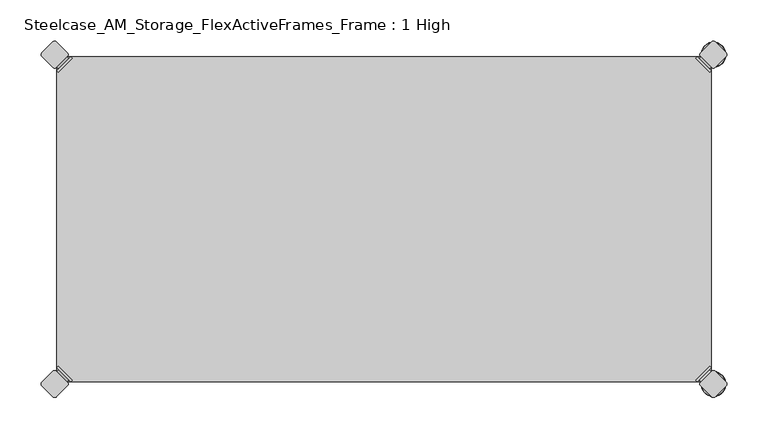
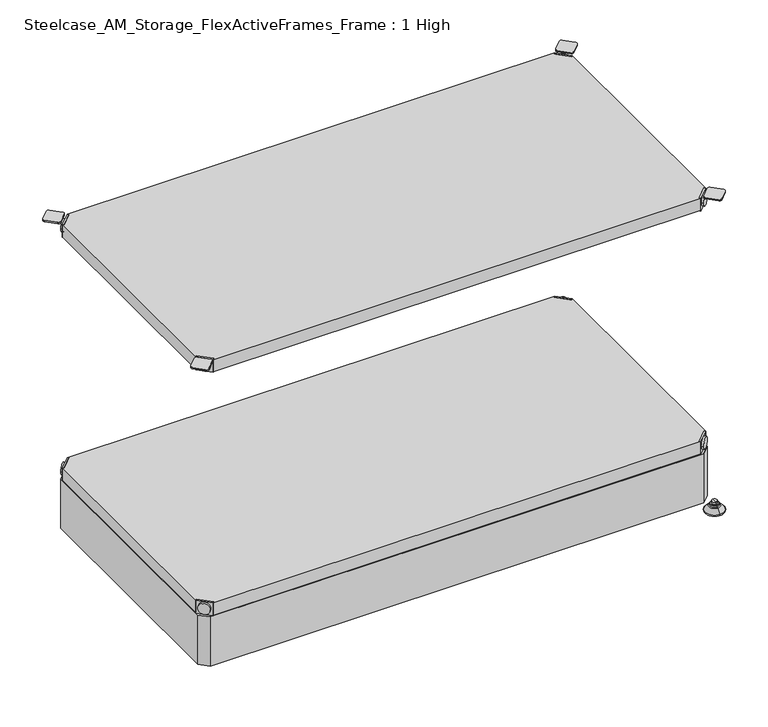
"""IFC4 building model written with IfcOpenShell, lengths in millimetres: furniture geometry, Steelcase_AM_Storage_FlexActiveFrames_Frame : 1 High."""

from ifc_helpers import new_model, si_unit, point, frame, frame_2d, origin, place, context, project, spatial, polyline, circle_curve, ellipse_curve, trimmed, segment, composite_curve, outline, extrude, source, transform, mapped, element, save
from ifc_brep_helpers import plane_surface, cylinder_surface, revolved_surface, advanced_brep


def steelcase_am_storage_flexactiveframes_frame_1_high_8f61f4ff(model_context):
    return source(origin(), model_context, "Body", "SolidModel", [
        advanced_brep(
        [(2.54, -380.2870969, 520.2936), (19.7629031, -397.51, 520.2936), (21.5589544, -395.7139488, 520.2936), (4.3360512, -378.4910456, 520.2936), (2.54, -380.2870969, 498.9576), (19.7629031, -397.51, 498.9576), (4.8652723, -382.6123691, 510.1336), (17.4376309, -395.1847277, 510.1336), (30.2920522, -352.5350447, 499.9736), (4.3360512, -378.4910456, 499.9736), (21.5589544, -395.7139488, 499.9736), (47.5149553, -369.7579478, 499.9736), (30.2920522, -352.5350447, 498.9576), (47.5149553, -369.7579478, 498.9576), (15.1227513, -397.4996073, 510.1336), (2.5503927, -384.9272487, 510.1336)],
        [
            (0, 1),
            (1, 2),
            (2, 3),
            (3, 0),
            (0, 4),
            (4, 5),
            (5, 1),
            (6, 7, circle_curve(frame((11.1514516, -388.8985484, 510.1336), z_axis=(0.7071067811865446, 0.7071067811865505, 0.0), x_axis=(-0.7071067811865505, 0.7071067811865446, 0.0)), 8.89)),
            (7, 6, circle_curve(frame((11.1514516, -388.8985484, 510.1336), z_axis=(0.7071067811865446, 0.7071067811865505, 0.0), x_axis=(-0.7071067811865505, 0.7071067811865446, 0.0)), 8.89)),
            (8, 9),
            (9, 10),
            (10, 11),
            (11, 8, circle_curve(frame((38.9035037, -361.1464963, 499.9736), z_axis=(0.0, 0.0, 1.0), x_axis=(1.0, 0.0, 0.0)), 12.1784316)),
            (12, 13, circle_curve(frame((38.9035037, -361.1464963, 498.9576), z_axis=(0.0, 0.0, -1.0), x_axis=(1.0, 0.0, 0.0)), 12.1784316)),
            (13, 5),
            (4, 12),
            (14, 15, circle_curve(frame((8.836572, -391.213428, 510.1336), z_axis=(-0.7071067811865446, -0.7071067811865505, 0.0), x_axis=(-0.7071067811865505, 0.7071067811865446, 0.0)), 8.89)),
            (15, 14, circle_curve(frame((8.836572, -391.213428, 510.1336), z_axis=(-0.7071067811865446, -0.7071067811865505, 0.0), x_axis=(-0.7071067811865505, 0.7071067811865446, 0.0)), 8.89)),
            (15, 6),
            (7, 14),
            (2, 10),
            (9, 3),
            (11, 13),
            (12, 8),
        ],
        [
            plane_surface(frame((-19.6579872, -402.485084, 520.2936), z_axis=(0.0, 0.0, 1.0000000000000002), x_axis=(0.7071067811865436, 0.7071067811865516, 0.0))),
            plane_surface(frame((19.7629031, -397.51, 520.2936), z_axis=(-0.7071067811865447, -0.7071067811865503, 0.0), x_axis=(0.0, 0.0, -1.0))),
            plane_surface(frame((51.0819353, -361.1464963, 499.9736), z_axis=(0.0, 0.0, 1.0), x_axis=(0.0, -1.0, 0.0))),
            plane_surface(frame((51.0819353, -361.1464963, 498.9576), z_axis=(0.0, 0.0, -1.0), x_axis=(0.0, 1.0, 0.0))),
            plane_surface(frame((2.5503927, -384.9272487, 510.1336), z_axis=(-0.7071067811865446, -0.7071067811865505, 0.0), x_axis=(0.0, 0.0, 1.0))),
            cylinder_surface(frame((11.1514516, -388.8985484, 510.1336), z_axis=(-0.7071067811865446, -0.7071067811865505, 0.0), x_axis=(-0.7071067811865505, 0.7071067811865446, 0.0)), 8.89),
            plane_surface(frame((4.3360512, -378.4910456, 520.2936), z_axis=(0.7071067811865447, 0.7071067811865503, 0.0), x_axis=(0.0, 0.0, -1.0))),
            cylinder_surface(frame((38.9035037, -361.1464963, 498.9576), z_axis=(0.0, 0.0, 1.0), x_axis=(1.0, 0.0, 0.0)), 12.1784316),
            plane_surface(frame((2.54, -380.2870969, 520.2936), z_axis=(-0.7071067811865516, 0.7071067811865436, 0.0), x_axis=(0.0, 0.0, -1.0))),
            plane_surface(frame((21.5589544, -395.7139488, 520.2936), z_axis=(0.7071067811865513, -0.7071067811865437, 0.0), x_axis=(0.0, 0.0, -1.0))),
        ],
        [
            (0, [[1, 2, 3, 4]]),
            (1, [[5, 6, 7, -1], [8, 9]]),
            (2, [[10, 11, 12, 13]]),
            (3, [[14, 15, -6, 16]]),
            (4, [[17, 18]]),
            (5, [[19, -9, 20, -18]]),
            (5, [[-20, -8, -19, -17]]),
            (6, [[21, -11, 22, -3]]),
            (7, [[23, -14, 24, -13]]),
            (8, [[-22, -10, -24, -16, -5, -4]]),
            (9, [[-7, -15, -23, -12, -21, -2]]),
        ],
    ),
        advanced_brep(
        [(797.56, -380.2870969, 520.2936), (795.7639488, -378.4910456, 520.2936), (778.5410456, -395.7139488, 520.2936), (780.3370969, -397.51, 520.2936), (780.3370969, -397.51, 498.9576), (797.56, -380.2870969, 498.9576), (795.2347277, -382.6123691, 510.1336), (782.6623691, -395.1847277, 510.1336), (769.8079478, -352.5350447, 499.9736), (752.5850447, -369.7579478, 499.9736), (778.5410456, -395.7139488, 499.9736), (795.7639488, -378.4910456, 499.9736), (769.8079478, -352.5350447, 498.9576), (752.5850447, -369.7579478, 498.9576), (784.9772487, -397.4996073, 510.1336), (797.5496073, -384.9272487, 510.1336)],
        [
            (0, 1),
            (1, 2),
            (2, 3),
            (3, 0),
            (3, 4),
            (4, 5),
            (5, 0),
            (6, 7, circle_curve(frame((788.9485484, -388.8985484, 510.1336), z_axis=(-0.7071067811865446, 0.7071067811865505, 0.0), x_axis=(0.7071067811865505, 0.7071067811865446, 0.0)), 8.89)),
            (7, 6, circle_curve(frame((788.9485484, -388.8985484, 510.1336), z_axis=(-0.7071067811865446, 0.7071067811865505, 0.0), x_axis=(0.7071067811865505, 0.7071067811865446, 0.0)), 8.89)),
            (8, 9, circle_curve(frame((761.1964963, -361.1464963, 499.9736), z_axis=(0.0, 0.0, 1.0), x_axis=(-1.0, 0.0, 0.0)), 12.1784316)),
            (9, 10),
            (10, 11),
            (11, 8),
            (12, 5),
            (4, 13),
            (13, 12, circle_curve(frame((761.1964963, -361.1464963, 498.9576), z_axis=(0.0, 0.0, -1.0), x_axis=(-1.0, 0.0, 0.0)), 12.1784316)),
            (14, 15, circle_curve(frame((791.263428, -391.213428, 510.1336), z_axis=(0.7071067811865446, -0.7071067811865505, 0.0), x_axis=(0.7071067811865505, 0.7071067811865446, 0.0)), 8.89)),
            (15, 14, circle_curve(frame((791.263428, -391.213428, 510.1336), z_axis=(0.7071067811865446, -0.7071067811865505, 0.0), x_axis=(0.7071067811865505, 0.7071067811865446, 0.0)), 8.89)),
            (14, 7),
            (6, 15),
            (1, 11),
            (10, 2),
            (8, 12),
            (13, 9),
        ],
        [
            plane_surface(frame((819.7579872, -402.485084, 520.2936), z_axis=(0.0, 0.0, 1.0000000000000002), x_axis=(-0.7071067811865436, 0.7071067811865516, 0.0))),
            plane_surface(frame((780.3370969, -397.51, 520.2936), z_axis=(0.7071067811865447, -0.7071067811865503, 0.0), x_axis=(0.0, 0.0, -1.0))),
            plane_surface(frame((749.0180647, -361.1464963, 499.9736), z_axis=(0.0, 0.0, 1.0), x_axis=(0.0, -1.0, 0.0))),
            plane_surface(frame((749.0180647, -361.1464963, 498.9576), z_axis=(0.0, 0.0, -1.0), x_axis=(0.0, 1.0, 0.0))),
            plane_surface(frame((797.5496073, -384.9272487, 510.1336), z_axis=(0.7071067811865446, -0.7071067811865505, 0.0), x_axis=(0.0, 0.0, 1.0))),
            cylinder_surface(frame((788.9485484, -388.8985484, 510.1336), z_axis=(0.7071067811865446, -0.7071067811865505, 0.0), x_axis=(0.7071067811865505, 0.7071067811865446, 0.0)), 8.89),
            plane_surface(frame((795.7639488, -378.4910456, 520.2936), z_axis=(-0.7071067811865447, 0.7071067811865503, 0.0), x_axis=(0.0, 0.0, -1.0))),
            cylinder_surface(frame((761.1964963, -361.1464963, 498.9576), z_axis=(0.0, 0.0, 1.0), x_axis=(-1.0, 0.0, 0.0)), 12.1784316),
            plane_surface(frame((797.56, -380.2870969, 520.2936), z_axis=(0.7071067811865516, 0.7071067811865436, 0.0), x_axis=(0.0, 0.0, -1.0))),
            plane_surface(frame((778.5410456, -395.7139488, 520.2936), z_axis=(-0.7071067811865513, -0.7071067811865437, 0.0), x_axis=(0.0, 0.0, -1.0))),
        ],
        [
            (0, [[1, 2, 3, 4]]),
            (1, [[-4, 5, 6, 7], [8, 9]]),
            (2, [[10, 11, 12, 13]]),
            (3, [[14, -6, 15, 16]]),
            (4, [[17, 18]]),
            (5, [[-17, 19, -8, 20]]),
            (5, [[-18, -20, -9, -19]]),
            (6, [[-2, 21, -12, 22]]),
            (7, [[-10, 23, -16, 24]]),
            (8, [[-1, -7, -14, -23, -13, -21]]),
            (9, [[-3, -22, -11, -24, -15, -5]]),
        ],
    ),
        advanced_brep(
        [(797.56, -19.7629031, 520.2936), (780.3370969, -2.54, 520.2936), (778.5410456, -4.3360512, 520.2936), (795.7639488, -21.5589544, 520.2936), (797.56, -19.7629031, 498.9576), (780.3370969, -2.54, 498.9576), (795.2347277, -17.4376309, 510.1336), (782.6623691, -4.8652723, 510.1336), (769.8079478, -47.5149553, 499.9736), (795.7639488, -21.5589544, 499.9736), (778.5410456, -4.3360512, 499.9736), (752.5850447, -30.2920522, 499.9736), (769.8079478, -47.5149553, 498.9576), (752.5850447, -30.2920522, 498.9576), (784.9772487, -2.5503927, 510.1336), (797.5496073, -15.1227513, 510.1336)],
        [
            (0, 1),
            (1, 2),
            (2, 3),
            (3, 0),
            (0, 4),
            (4, 5),
            (5, 1),
            (6, 7, circle_curve(frame((788.9485484, -11.1514516, 510.1336), z_axis=(-0.7071067811865469, -0.7071067811865481, 0.0), x_axis=(0.7071067811865481, -0.7071067811865469, 0.0)), 8.89)),
            (7, 6, circle_curve(frame((788.9485484, -11.1514516, 510.1336), z_axis=(-0.7071067811865469, -0.7071067811865481, 0.0), x_axis=(0.7071067811865481, -0.7071067811865469, 0.0)), 8.89)),
            (8, 9),
            (9, 10),
            (10, 11),
            (11, 8, circle_curve(frame((761.1964963, -38.9035037, 499.9736), z_axis=(0.0, 0.0, 1.0), x_axis=(-1.0, 0.0, 0.0)), 12.1784316)),
            (12, 13, circle_curve(frame((761.1964963, -38.9035037, 498.9576), z_axis=(0.0, 0.0, -1.0), x_axis=(-1.0, 0.0, 0.0)), 12.1784316)),
            (13, 5),
            (4, 12),
            (14, 15, circle_curve(frame((791.263428, -8.836572, 510.1336), z_axis=(0.7071067811865469, 0.7071067811865481, 0.0), x_axis=(0.7071067811865481, -0.7071067811865469, 0.0)), 8.89)),
            (15, 14, circle_curve(frame((791.263428, -8.836572, 510.1336), z_axis=(0.7071067811865469, 0.7071067811865481, 0.0), x_axis=(0.7071067811865481, -0.7071067811865469, 0.0)), 8.89)),
            (15, 6),
            (7, 14),
            (2, 10),
            (9, 3),
            (11, 13),
            (12, 8),
        ],
        [
            plane_surface(frame((819.7579872, 2.435084, 520.2936), z_axis=(0.0, 0.0, 1.0000000000000002), x_axis=(-0.7071067811865459, -0.7071067811865492, 0.0))),
            plane_surface(frame((780.3370969, -2.54, 520.2936), z_axis=(0.707106781186547, 0.707106781186548, 0.0), x_axis=(0.0, 0.0, -1.0))),
            plane_surface(frame((749.0180647, -38.9035037, 499.9736), z_axis=(0.0, 0.0, 1.0), x_axis=(0.0, 1.0, 0.0))),
            plane_surface(frame((749.0180647, -38.9035037, 498.9576), z_axis=(0.0, 0.0, -1.0), x_axis=(0.0, -1.0, 0.0))),
            plane_surface(frame((797.5496073, -15.1227513, 510.1336), z_axis=(0.7071067811865469, 0.7071067811865481, 0.0), x_axis=(0.0, 0.0, 1.0))),
            cylinder_surface(frame((788.9485484, -11.1514516, 510.1336), z_axis=(0.7071067811865469, 0.7071067811865481, 0.0), x_axis=(0.7071067811865481, -0.7071067811865469, 0.0)), 8.89),
            plane_surface(frame((795.7639488, -21.5589544, 520.2936), z_axis=(-0.707106781186547, -0.707106781186548, 0.0), x_axis=(0.0, 0.0, -1.0))),
            cylinder_surface(frame((761.1964963, -38.9035037, 498.9576), z_axis=(0.0, 0.0, 1.0), x_axis=(-1.0, 0.0, 0.0)), 12.1784316),
            plane_surface(frame((797.56, -19.7629031, 520.2936), z_axis=(0.7071067811865492, -0.7071067811865459, 0.0), x_axis=(0.0, 0.0, -1.0))),
            plane_surface(frame((778.5410456, -4.3360512, 520.2936), z_axis=(-0.707106781186549, 0.707106781186546, 0.0), x_axis=(0.0, 0.0, -1.0))),
        ],
        [
            (0, [[1, 2, 3, 4]]),
            (1, [[5, 6, 7, -1], [8, 9]]),
            (2, [[10, 11, 12, 13]]),
            (3, [[14, 15, -6, 16]]),
            (4, [[17, 18]]),
            (5, [[19, -9, 20, -18]]),
            (5, [[-20, -8, -19, -17]]),
            (6, [[21, -11, 22, -3]]),
            (7, [[23, -14, 24, -13]]),
            (8, [[-22, -10, -24, -16, -5, -4]]),
            (9, [[-7, -15, -23, -12, -21, -2]]),
        ],
    ),
        advanced_brep(
        [(2.54, -19.7629031, 520.2936), (4.3360512, -21.5589544, 520.2936), (21.5589544, -4.3360512, 520.2936), (19.7629031, -2.54, 520.2936), (19.7629031, -2.54, 498.9576), (2.54, -19.7629031, 498.9576), (4.8652723, -17.4376309, 510.1336), (17.4376309, -4.8652723, 510.1336), (30.2920522, -47.5149553, 499.9736), (47.5149553, -30.2920522, 499.9736), (21.5589544, -4.3360512, 499.9736), (4.3360512, -21.5589544, 499.9736), (30.2920522, -47.5149553, 498.9576), (47.5149553, -30.2920522, 498.9576), (15.1227513, -2.5503927, 510.1336), (2.5503927, -15.1227513, 510.1336)],
        [
            (0, 1),
            (1, 2),
            (2, 3),
            (3, 0),
            (3, 4),
            (4, 5),
            (5, 0),
            (6, 7, circle_curve(frame((11.1514516, -11.1514516, 510.1336), z_axis=(0.7071067811865469, -0.7071067811865481, 0.0), x_axis=(-0.7071067811865481, -0.7071067811865469, 0.0)), 8.89)),
            (7, 6, circle_curve(frame((11.1514516, -11.1514516, 510.1336), z_axis=(0.7071067811865469, -0.7071067811865481, 0.0), x_axis=(-0.7071067811865481, -0.7071067811865469, 0.0)), 8.89)),
            (8, 9, circle_curve(frame((38.9035037, -38.9035037, 499.9736), z_axis=(0.0, 0.0, 1.0), x_axis=(1.0, 0.0, 0.0)), 12.1784316)),
            (9, 10),
            (10, 11),
            (11, 8),
            (12, 5),
            (4, 13),
            (13, 12, circle_curve(frame((38.9035037, -38.9035037, 498.9576), z_axis=(0.0, 0.0, -1.0), x_axis=(1.0, 0.0, 0.0)), 12.1784316)),
            (14, 15, circle_curve(frame((8.836572, -8.836572, 510.1336), z_axis=(-0.7071067811865469, 0.7071067811865481, 0.0), x_axis=(-0.7071067811865481, -0.7071067811865469, 0.0)), 8.89)),
            (15, 14, circle_curve(frame((8.836572, -8.836572, 510.1336), z_axis=(-0.7071067811865469, 0.7071067811865481, 0.0), x_axis=(-0.7071067811865481, -0.7071067811865469, 0.0)), 8.89)),
            (14, 7),
            (6, 15),
            (1, 11),
            (10, 2),
            (8, 12),
            (13, 9),
        ],
        [
            plane_surface(frame((-19.6579872, 2.435084, 520.2936), z_axis=(0.0, 0.0, 1.0000000000000002), x_axis=(0.7071067811865459, -0.7071067811865492, 0.0))),
            plane_surface(frame((19.7629031, -2.54, 520.2936), z_axis=(-0.707106781186547, 0.707106781186548, 0.0), x_axis=(0.0, 0.0, -1.0))),
            plane_surface(frame((51.0819353, -38.9035037, 499.9736), z_axis=(0.0, 0.0, 1.0), x_axis=(0.0, 1.0, 0.0))),
            plane_surface(frame((51.0819353, -38.9035037, 498.9576), z_axis=(0.0, 0.0, -1.0), x_axis=(0.0, -1.0, 0.0))),
            plane_surface(frame((2.5503927, -15.1227513, 510.1336), z_axis=(-0.7071067811865469, 0.7071067811865481, 0.0), x_axis=(0.0, 0.0, 1.0))),
            cylinder_surface(frame((11.1514516, -11.1514516, 510.1336), z_axis=(-0.7071067811865469, 0.7071067811865481, 0.0), x_axis=(-0.7071067811865481, -0.7071067811865469, 0.0)), 8.89),
            plane_surface(frame((4.3360512, -21.5589544, 520.2936), z_axis=(0.707106781186547, -0.707106781186548, 0.0), x_axis=(0.0, 0.0, -1.0))),
            cylinder_surface(frame((38.9035037, -38.9035037, 498.9576), z_axis=(0.0, 0.0, 1.0), x_axis=(1.0, 0.0, 0.0)), 12.1784316),
            plane_surface(frame((2.54, -19.7629031, 520.2936), z_axis=(-0.7071067811865492, -0.7071067811865459, 0.0), x_axis=(0.0, 0.0, -1.0))),
            plane_surface(frame((21.5589544, -4.3360512, 520.2936), z_axis=(0.707106781186549, 0.707106781186546, 0.0), x_axis=(0.0, 0.0, -1.0))),
        ],
        [
            (0, [[1, 2, 3, 4]]),
            (1, [[-4, 5, 6, 7], [8, 9]]),
            (2, [[10, 11, 12, 13]]),
            (3, [[14, -6, 15, 16]]),
            (4, [[17, 18]]),
            (5, [[-17, 19, -8, 20]]),
            (5, [[-18, -20, -9, -19]]),
            (6, [[-2, 21, -12, 22]]),
            (7, [[-10, 23, -16, 24]]),
            (8, [[-1, -7, -14, -23, -13, -21]]),
            (9, [[-3, -22, -11, -24, -15, -5]]),
        ],
    ),
        extrude(outline(polyline([(19.7629031, -2.54), (780.3370969, -2.54), (778.5410456, -4.3360512), (795.7639488, -21.5589544), (797.56, -19.7629031), (797.56, -380.2870969), (795.7639488, -378.4910456), (778.5410456, -395.7139488), (780.3370969, -397.51), (19.7629031, -397.51), (21.5589544, -395.7139488), (4.3360512, -378.4910456), (2.54, -380.2870969), (2.54, -19.7629031), (4.3360512, -21.5589544), (21.5589544, -4.3360512), (19.7629031, -2.54)])), frame((0.0, 0.0, 499.9736), z_axis=(0.0, 0.0, 1.0), x_axis=(1.0, 0.0, 0.0)), (0.0, 0.0, 1.0), 20.32),
        advanced_brep(
        [(2.54, -380.2870969, 118.9736), (19.7629031, -397.51, 118.9736), (21.5589544, -395.7139488, 118.9736), (4.3360512, -378.4910456, 118.9736), (2.54, -380.2870969, 97.6376), (19.7629031, -397.51, 97.6376), (4.8652723, -382.6123691, 108.8136), (17.4376309, -395.1847277, 108.8136), (30.2920522, -352.5350447, 98.6536), (4.3360512, -378.4910456, 98.6536), (21.5589544, -395.7139488, 98.6536), (47.5149553, -369.7579478, 98.6536), (30.2920522, -352.5350447, 97.6376), (47.5149553, -369.7579478, 97.6376), (15.1227513, -397.4996073, 108.8136), (2.5503927, -384.9272487, 108.8136)],
        [
            (0, 1),
            (1, 2),
            (2, 3),
            (3, 0),
            (0, 4),
            (4, 5),
            (5, 1),
            (6, 7, circle_curve(frame((11.1514516, -388.8985484, 108.8136), z_axis=(0.7071067811865446, 0.7071067811865505, 0.0), x_axis=(-0.7071067811865505, 0.7071067811865446, 0.0)), 8.89)),
            (7, 6, circle_curve(frame((11.1514516, -388.8985484, 108.8136), z_axis=(0.7071067811865446, 0.7071067811865505, 0.0), x_axis=(-0.7071067811865505, 0.7071067811865446, 0.0)), 8.89)),
            (8, 9),
            (9, 10),
            (10, 11),
            (11, 8, circle_curve(frame((38.9035037, -361.1464963, 98.6536), z_axis=(0.0, 0.0, 1.0), x_axis=(1.0, 0.0, 0.0)), 12.1784316)),
            (12, 13, circle_curve(frame((38.9035037, -361.1464963, 97.6376), z_axis=(0.0, 0.0, -1.0), x_axis=(1.0, 0.0, 0.0)), 12.1784316)),
            (13, 5),
            (4, 12),
            (14, 15, circle_curve(frame((8.836572, -391.213428, 108.8136), z_axis=(-0.7071067811865446, -0.7071067811865505, 0.0), x_axis=(-0.7071067811865505, 0.7071067811865446, 0.0)), 8.89)),
            (15, 14, circle_curve(frame((8.836572, -391.213428, 108.8136), z_axis=(-0.7071067811865446, -0.7071067811865505, 0.0), x_axis=(-0.7071067811865505, 0.7071067811865446, 0.0)), 8.89)),
            (15, 6),
            (7, 14),
            (2, 10),
            (9, 3),
            (11, 13),
            (12, 8),
        ],
        [
            plane_surface(frame((-19.6579872, -402.485084, 118.9736), z_axis=(0.0, 0.0, 1.0000000000000002), x_axis=(0.7071067811865436, 0.7071067811865516, 0.0))),
            plane_surface(frame((19.7629031, -397.51, 118.9736), z_axis=(-0.7071067811865447, -0.7071067811865503, 0.0), x_axis=(0.0, 0.0, -1.0))),
            plane_surface(frame((51.0819353, -361.1464963, 98.6536), z_axis=(0.0, 0.0, 1.0), x_axis=(0.0, -1.0, 0.0))),
            plane_surface(frame((51.0819353, -361.1464963, 97.6376), z_axis=(0.0, 0.0, -1.0), x_axis=(0.0, 1.0, 0.0))),
            plane_surface(frame((2.5503927, -384.9272487, 108.8136), z_axis=(-0.7071067811865446, -0.7071067811865505, 0.0), x_axis=(0.0, 0.0, 1.0))),
            cylinder_surface(frame((11.1514516, -388.8985484, 108.8136), z_axis=(-0.7071067811865446, -0.7071067811865505, 0.0), x_axis=(-0.7071067811865505, 0.7071067811865446, 0.0)), 8.89),
            plane_surface(frame((4.3360512, -378.4910456, 118.9736), z_axis=(0.7071067811865447, 0.7071067811865503, 0.0), x_axis=(0.0, 0.0, -1.0))),
            cylinder_surface(frame((38.9035037, -361.1464963, 97.6376), z_axis=(0.0, 0.0, 1.0), x_axis=(1.0, 0.0, 0.0)), 12.1784316),
            plane_surface(frame((2.54, -380.2870969, 118.9736), z_axis=(-0.7071067811865516, 0.7071067811865436, 0.0), x_axis=(0.0, 0.0, -1.0))),
            plane_surface(frame((21.5589544, -395.7139488, 118.9736), z_axis=(0.7071067811865513, -0.7071067811865437, 0.0), x_axis=(0.0, 0.0, -1.0))),
        ],
        [
            (0, [[1, 2, 3, 4]]),
            (1, [[5, 6, 7, -1], [8, 9]]),
            (2, [[10, 11, 12, 13]]),
            (3, [[14, 15, -6, 16]]),
            (4, [[17, 18]]),
            (5, [[19, -9, 20, -18]]),
            (5, [[-20, -8, -19, -17]]),
            (6, [[21, -11, 22, -3]]),
            (7, [[23, -14, 24, -13]]),
            (8, [[-22, -10, -24, -16, -5, -4]]),
            (9, [[-7, -15, -23, -12, -21, -2]]),
        ],
    ),
        advanced_brep(
        [(797.56, -380.2870969, 118.9736), (795.7639488, -378.4910456, 118.9736), (778.5410456, -395.7139488, 118.9736), (780.3370969, -397.51, 118.9736), (780.3370969, -397.51, 97.6376), (797.56, -380.2870969, 97.6376), (795.2347277, -382.6123691, 108.8136), (782.6623691, -395.1847277, 108.8136), (769.8079478, -352.5350447, 98.6536), (752.5850447, -369.7579478, 98.6536), (778.5410456, -395.7139488, 98.6536), (795.7639488, -378.4910456, 98.6536), (769.8079478, -352.5350447, 97.6376), (752.5850447, -369.7579478, 97.6376), (784.9772487, -397.4996073, 108.8136), (797.5496073, -384.9272487, 108.8136)],
        [
            (0, 1),
            (1, 2),
            (2, 3),
            (3, 0),
            (3, 4),
            (4, 5),
            (5, 0),
            (6, 7, circle_curve(frame((788.9485484, -388.8985484, 108.8136), z_axis=(-0.7071067811865446, 0.7071067811865505, 0.0), x_axis=(0.7071067811865505, 0.7071067811865446, 0.0)), 8.89)),
            (7, 6, circle_curve(frame((788.9485484, -388.8985484, 108.8136), z_axis=(-0.7071067811865446, 0.7071067811865505, 0.0), x_axis=(0.7071067811865505, 0.7071067811865446, 0.0)), 8.89)),
            (8, 9, circle_curve(frame((761.1964963, -361.1464963, 98.6536), z_axis=(0.0, 0.0, 1.0), x_axis=(-1.0, 0.0, 0.0)), 12.1784316)),
            (9, 10),
            (10, 11),
            (11, 8),
            (12, 5),
            (4, 13),
            (13, 12, circle_curve(frame((761.1964963, -361.1464963, 97.6376), z_axis=(0.0, 0.0, -1.0), x_axis=(-1.0, 0.0, 0.0)), 12.1784316)),
            (14, 15, circle_curve(frame((791.263428, -391.213428, 108.8136), z_axis=(0.7071067811865446, -0.7071067811865505, 0.0), x_axis=(0.7071067811865505, 0.7071067811865446, 0.0)), 8.89)),
            (15, 14, circle_curve(frame((791.263428, -391.213428, 108.8136), z_axis=(0.7071067811865446, -0.7071067811865505, 0.0), x_axis=(0.7071067811865505, 0.7071067811865446, 0.0)), 8.89)),
            (14, 7),
            (6, 15),
            (1, 11),
            (10, 2),
            (8, 12),
            (13, 9),
        ],
        [
            plane_surface(frame((819.7579872, -402.485084, 118.9736), z_axis=(0.0, 0.0, 1.0000000000000002), x_axis=(-0.7071067811865436, 0.7071067811865516, 0.0))),
            plane_surface(frame((780.3370969, -397.51, 118.9736), z_axis=(0.7071067811865447, -0.7071067811865503, 0.0), x_axis=(0.0, 0.0, -1.0))),
            plane_surface(frame((749.0180647, -361.1464963, 98.6536), z_axis=(0.0, 0.0, 1.0), x_axis=(0.0, -1.0, 0.0))),
            plane_surface(frame((749.0180647, -361.1464963, 97.6376), z_axis=(0.0, 0.0, -1.0), x_axis=(0.0, 1.0, 0.0))),
            plane_surface(frame((797.5496073, -384.9272487, 108.8136), z_axis=(0.7071067811865446, -0.7071067811865505, 0.0), x_axis=(0.0, 0.0, 1.0))),
            cylinder_surface(frame((788.9485484, -388.8985484, 108.8136), z_axis=(0.7071067811865446, -0.7071067811865505, 0.0), x_axis=(0.7071067811865505, 0.7071067811865446, 0.0)), 8.89),
            plane_surface(frame((795.7639488, -378.4910456, 118.9736), z_axis=(-0.7071067811865447, 0.7071067811865503, 0.0), x_axis=(0.0, 0.0, -1.0))),
            cylinder_surface(frame((761.1964963, -361.1464963, 97.6376), z_axis=(0.0, 0.0, 1.0), x_axis=(-1.0, 0.0, 0.0)), 12.1784316),
            plane_surface(frame((797.56, -380.2870969, 118.9736), z_axis=(0.7071067811865516, 0.7071067811865436, 0.0), x_axis=(0.0, 0.0, -1.0))),
            plane_surface(frame((778.5410456, -395.7139488, 118.9736), z_axis=(-0.7071067811865513, -0.7071067811865437, 0.0), x_axis=(0.0, 0.0, -1.0))),
        ],
        [
            (0, [[1, 2, 3, 4]]),
            (1, [[-4, 5, 6, 7], [8, 9]]),
            (2, [[10, 11, 12, 13]]),
            (3, [[14, -6, 15, 16]]),
            (4, [[17, 18]]),
            (5, [[-17, 19, -8, 20]]),
            (5, [[-18, -20, -9, -19]]),
            (6, [[-2, 21, -12, 22]]),
            (7, [[-10, 23, -16, 24]]),
            (8, [[-1, -7, -14, -23, -13, -21]]),
            (9, [[-3, -22, -11, -24, -15, -5]]),
        ],
    ),
        advanced_brep(
        [(797.56, -19.7629031, 118.9736), (780.3370969, -2.54, 118.9736), (778.5410456, -4.3360512, 118.9736), (795.7639488, -21.5589544, 118.9736), (797.56, -19.7629031, 97.6376), (780.3370969, -2.54, 97.6376), (795.2347277, -17.4376309, 108.8136), (782.6623691, -4.8652723, 108.8136), (769.8079478, -47.5149553, 98.6536), (795.7639488, -21.5589544, 98.6536), (778.5410456, -4.3360512, 98.6536), (752.5850447, -30.2920522, 98.6536), (769.8079478, -47.5149553, 97.6376), (752.5850447, -30.2920522, 97.6376), (784.9772487, -2.5503927, 108.8136), (797.5496073, -15.1227513, 108.8136)],
        [
            (0, 1),
            (1, 2),
            (2, 3),
            (3, 0),
            (0, 4),
            (4, 5),
            (5, 1),
            (6, 7, circle_curve(frame((788.9485484, -11.1514516, 108.8136), z_axis=(-0.7071067811865469, -0.7071067811865481, 0.0), x_axis=(0.7071067811865481, -0.7071067811865469, 0.0)), 8.89)),
            (7, 6, circle_curve(frame((788.9485484, -11.1514516, 108.8136), z_axis=(-0.7071067811865469, -0.7071067811865481, 0.0), x_axis=(0.7071067811865481, -0.7071067811865469, 0.0)), 8.89)),
            (8, 9),
            (9, 10),
            (10, 11),
            (11, 8, circle_curve(frame((761.1964963, -38.9035037, 98.6536), z_axis=(0.0, 0.0, 1.0), x_axis=(-1.0, 0.0, 0.0)), 12.1784316)),
            (12, 13, circle_curve(frame((761.1964963, -38.9035037, 97.6376), z_axis=(0.0, 0.0, -1.0), x_axis=(-1.0, 0.0, 0.0)), 12.1784316)),
            (13, 5),
            (4, 12),
            (14, 15, circle_curve(frame((791.263428, -8.836572, 108.8136), z_axis=(0.7071067811865469, 0.7071067811865481, 0.0), x_axis=(0.7071067811865481, -0.7071067811865469, 0.0)), 8.89)),
            (15, 14, circle_curve(frame((791.263428, -8.836572, 108.8136), z_axis=(0.7071067811865469, 0.7071067811865481, 0.0), x_axis=(0.7071067811865481, -0.7071067811865469, 0.0)), 8.89)),
            (15, 6),
            (7, 14),
            (2, 10),
            (9, 3),
            (11, 13),
            (12, 8),
        ],
        [
            plane_surface(frame((819.7579872, 2.435084, 118.9736), z_axis=(0.0, 0.0, 1.0000000000000002), x_axis=(-0.7071067811865459, -0.7071067811865492, 0.0))),
            plane_surface(frame((780.3370969, -2.54, 118.9736), z_axis=(0.707106781186547, 0.707106781186548, 0.0), x_axis=(0.0, 0.0, -1.0))),
            plane_surface(frame((749.0180647, -38.9035037, 98.6536), z_axis=(0.0, 0.0, 1.0), x_axis=(0.0, 1.0, 0.0))),
            plane_surface(frame((749.0180647, -38.9035037, 97.6376), z_axis=(0.0, 0.0, -1.0), x_axis=(0.0, -1.0, 0.0))),
            plane_surface(frame((797.5496073, -15.1227513, 108.8136), z_axis=(0.7071067811865469, 0.7071067811865481, 0.0), x_axis=(0.0, 0.0, 1.0))),
            cylinder_surface(frame((788.9485484, -11.1514516, 108.8136), z_axis=(0.7071067811865469, 0.7071067811865481, 0.0), x_axis=(0.7071067811865481, -0.7071067811865469, 0.0)), 8.89),
            plane_surface(frame((795.7639488, -21.5589544, 118.9736), z_axis=(-0.707106781186547, -0.707106781186548, 0.0), x_axis=(0.0, 0.0, -1.0))),
            cylinder_surface(frame((761.1964963, -38.9035037, 97.6376), z_axis=(0.0, 0.0, 1.0), x_axis=(-1.0, 0.0, 0.0)), 12.1784316),
            plane_surface(frame((797.56, -19.7629031, 118.9736), z_axis=(0.7071067811865492, -0.7071067811865459, 0.0), x_axis=(0.0, 0.0, -1.0))),
            plane_surface(frame((778.5410456, -4.3360512, 118.9736), z_axis=(-0.707106781186549, 0.707106781186546, 0.0), x_axis=(0.0, 0.0, -1.0))),
        ],
        [
            (0, [[1, 2, 3, 4]]),
            (1, [[5, 6, 7, -1], [8, 9]]),
            (2, [[10, 11, 12, 13]]),
            (3, [[14, 15, -6, 16]]),
            (4, [[17, 18]]),
            (5, [[19, -9, 20, -18]]),
            (5, [[-20, -8, -19, -17]]),
            (6, [[21, -11, 22, -3]]),
            (7, [[23, -14, 24, -13]]),
            (8, [[-22, -10, -24, -16, -5, -4]]),
            (9, [[-7, -15, -23, -12, -21, -2]]),
        ],
    ),
        advanced_brep(
        [(2.54, -19.7629031, 118.9736), (4.3360512, -21.5589544, 118.9736), (21.5589544, -4.3360512, 118.9736), (19.7629031, -2.54, 118.9736), (19.7629031, -2.54, 97.6376), (2.54, -19.7629031, 97.6376), (4.8652723, -17.4376309, 108.8136), (17.4376309, -4.8652723, 108.8136), (30.2920522, -47.5149553, 98.6536), (47.5149553, -30.2920522, 98.6536), (21.5589544, -4.3360512, 98.6536), (4.3360512, -21.5589544, 98.6536), (30.2920522, -47.5149553, 97.6376), (47.5149553, -30.2920522, 97.6376), (15.1227513, -2.5503927, 108.8136), (2.5503927, -15.1227513, 108.8136)],
        [
            (0, 1),
            (1, 2),
            (2, 3),
            (3, 0),
            (3, 4),
            (4, 5),
            (5, 0),
            (6, 7, circle_curve(frame((11.1514516, -11.1514516, 108.8136), z_axis=(0.7071067811865469, -0.7071067811865481, 0.0), x_axis=(-0.7071067811865481, -0.7071067811865469, 0.0)), 8.89)),
            (7, 6, circle_curve(frame((11.1514516, -11.1514516, 108.8136), z_axis=(0.7071067811865469, -0.7071067811865481, 0.0), x_axis=(-0.7071067811865481, -0.7071067811865469, 0.0)), 8.89)),
            (8, 9, circle_curve(frame((38.9035037, -38.9035037, 98.6536), z_axis=(0.0, 0.0, 1.0), x_axis=(1.0, 0.0, 0.0)), 12.1784316)),
            (9, 10),
            (10, 11),
            (11, 8),
            (12, 5),
            (4, 13),
            (13, 12, circle_curve(frame((38.9035037, -38.9035037, 97.6376), z_axis=(0.0, 0.0, -1.0), x_axis=(1.0, 0.0, 0.0)), 12.1784316)),
            (14, 15, circle_curve(frame((8.836572, -8.836572, 108.8136), z_axis=(-0.7071067811865469, 0.7071067811865481, 0.0), x_axis=(-0.7071067811865481, -0.7071067811865469, 0.0)), 8.89)),
            (15, 14, circle_curve(frame((8.836572, -8.836572, 108.8136), z_axis=(-0.7071067811865469, 0.7071067811865481, 0.0), x_axis=(-0.7071067811865481, -0.7071067811865469, 0.0)), 8.89)),
            (14, 7),
            (6, 15),
            (1, 11),
            (10, 2),
            (8, 12),
            (13, 9),
        ],
        [
            plane_surface(frame((-19.6579872, 2.435084, 118.9736), z_axis=(0.0, 0.0, 1.0000000000000002), x_axis=(0.7071067811865459, -0.7071067811865492, 0.0))),
            plane_surface(frame((19.7629031, -2.54, 118.9736), z_axis=(-0.707106781186547, 0.707106781186548, 0.0), x_axis=(0.0, 0.0, -1.0))),
            plane_surface(frame((51.0819353, -38.9035037, 98.6536), z_axis=(0.0, 0.0, 1.0), x_axis=(0.0, 1.0, 0.0))),
            plane_surface(frame((51.0819353, -38.9035037, 97.6376), z_axis=(0.0, 0.0, -1.0), x_axis=(0.0, -1.0, 0.0))),
            plane_surface(frame((2.5503927, -15.1227513, 108.8136), z_axis=(-0.7071067811865469, 0.7071067811865481, 0.0), x_axis=(0.0, 0.0, 1.0))),
            cylinder_surface(frame((11.1514516, -11.1514516, 108.8136), z_axis=(-0.7071067811865469, 0.7071067811865481, 0.0), x_axis=(-0.7071067811865481, -0.7071067811865469, 0.0)), 8.89),
            plane_surface(frame((4.3360512, -21.5589544, 118.9736), z_axis=(0.707106781186547, -0.707106781186548, 0.0), x_axis=(0.0, 0.0, -1.0))),
            cylinder_surface(frame((38.9035037, -38.9035037, 97.6376), z_axis=(0.0, 0.0, 1.0), x_axis=(1.0, 0.0, 0.0)), 12.1784316),
            plane_surface(frame((2.54, -19.7629031, 118.9736), z_axis=(-0.7071067811865492, -0.7071067811865459, 0.0), x_axis=(0.0, 0.0, -1.0))),
            plane_surface(frame((21.5589544, -4.3360512, 118.9736), z_axis=(0.707106781186549, 0.707106781186546, 0.0), x_axis=(0.0, 0.0, -1.0))),
        ],
        [
            (0, [[1, 2, 3, 4]]),
            (1, [[-4, 5, 6, 7], [8, 9]]),
            (2, [[10, 11, 12, 13]]),
            (3, [[14, -6, 15, 16]]),
            (4, [[17, 18]]),
            (5, [[-17, 19, -8, 20]]),
            (5, [[-18, -20, -9, -19]]),
            (6, [[-2, 21, -12, 22]]),
            (7, [[-10, 23, -16, 24]]),
            (8, [[-1, -7, -14, -23, -13, -21]]),
            (9, [[-3, -22, -11, -24, -15, -5]]),
        ],
    ),
        extrude(outline(polyline([(19.7629031, -2.54), (780.3370969, -2.54), (778.5410456, -4.3360512), (795.7639488, -21.5589544), (797.56, -19.7629031), (797.56, -380.2870969), (795.7639488, -378.4910456), (778.5410456, -395.7139488), (780.3370969, -397.51), (19.7629031, -397.51), (21.5589544, -395.7139488), (4.3360512, -378.4910456), (2.54, -380.2870969), (2.54, -19.7629031), (4.3360512, -21.5589544), (21.5589544, -4.3360512), (19.7629031, -2.54)])), frame((0.0, 0.0, 98.6536), z_axis=(0.0, 0.0, 1.0), x_axis=(1.0, 0.0, 0.0)), (0.0, 0.0, 1.0), 20.32),
        extrude(outline(composite_curve([segment(polyline([(-2.245064, -15.4326055), (-15.4326055, -2.245064)]), True, "CONTINUOUS"), segment(trimmed(circle_curve(frame_2d((-13.1875415, 0.0)), 3.175), [point((-15.4326055, -2.245064))], [point((-15.4326055, 2.245064))], False, "CARTESIAN"), True, "CONTINUOUS"), segment(polyline([(-15.4326055, 2.245064), (-2.245064, 15.4326055)]), True, "CONTINUOUS"), segment(trimmed(circle_curve(frame_2d((0.0, 13.1875415)), 3.175), [point((-2.245064, 15.4326055))], [point((2.245064, 15.4326055))], False, "CARTESIAN"), True, "CONTINUOUS"), segment(polyline([(2.245064, 15.4326055), (15.4326055, 2.245064)]), True, "CONTINUOUS"), segment(trimmed(circle_curve(frame_2d((13.1875415, 0.0)), 3.175), [point((15.4326055, 2.245064))], [point((15.4326055, -2.245064))], False, "CARTESIAN"), True, "CONTINUOUS"), segment(polyline([(15.4326055, -2.245064), (2.245064, -15.4326055)]), True, "CONTINUOUS"), segment(trimmed(circle_curve(frame_2d((0.0, -13.1875415)), 3.175), [point((2.245064, -15.4326055))], [point((-2.245064, -15.4326055))], False, "CARTESIAN"), True, "CONTINUOUS")], self_intersect=False)), frame((0.0, 0.0, 520.2936), z_axis=(0.0, 0.0, 1.0), x_axis=(1.0, 0.0, 0.0)), (0.0, 0.0, 1.0), 2.032),
        extrude(outline(composite_curve([segment(trimmed(circle_curve(frame_2d((800.1, -13.1875415)), 3.175), [point((802.345064, -15.4326055))], [point((797.854936, -15.4326055))], False, "CARTESIAN"), True, "CONTINUOUS"), segment(polyline([(797.854936, -15.4326055), (784.6673945, -2.245064)]), True, "CONTINUOUS"), segment(trimmed(circle_curve(frame_2d((786.9124585, 0.0)), 3.175), [point((784.6673945, -2.245064))], [point((784.6673945, 2.245064))], False, "CARTESIAN"), True, "CONTINUOUS"), segment(polyline([(784.6673945, 2.245064), (797.854936, 15.4326055)]), True, "CONTINUOUS"), segment(trimmed(circle_curve(frame_2d((800.1, 13.1875415)), 3.175), [point((797.854936, 15.4326055))], [point((802.345064, 15.4326055))], False, "CARTESIAN"), True, "CONTINUOUS"), segment(polyline([(802.345064, 15.4326055), (815.5326055, 2.245064)]), True, "CONTINUOUS"), segment(trimmed(circle_curve(frame_2d((813.2875415, 0.0)), 3.175), [point((815.5326055, 2.245064))], [point((815.5326055, -2.245064))], False, "CARTESIAN"), True, "CONTINUOUS"), segment(polyline([(815.5326055, -2.245064), (802.345064, -15.4326055)]), True, "CONTINUOUS")], self_intersect=False)), frame((0.0, 0.0, 520.2936), z_axis=(0.0, 0.0, 1.0), x_axis=(1.0, 0.0, 0.0)), (0.0, 0.0, 1.0), 2.032),
        extrude(outline(composite_curve([segment(polyline([(802.345064, -384.6173945), (815.5326055, -397.804936)]), True, "CONTINUOUS"), segment(trimmed(circle_curve(frame_2d((813.2875415, -400.05)), 3.175), [point((815.5326055, -397.804936))], [point((815.5326055, -402.295064))], False, "CARTESIAN"), True, "CONTINUOUS"), segment(polyline([(815.5326055, -402.295064), (802.345064, -415.4826055)]), True, "CONTINUOUS"), segment(trimmed(circle_curve(frame_2d((800.1, -413.2375415)), 3.175), [point((802.345064, -415.4826055))], [point((797.854936, -415.4826055))], False, "CARTESIAN"), True, "CONTINUOUS"), segment(polyline([(797.854936, -415.4826055), (784.6673945, -402.295064)]), True, "CONTINUOUS"), segment(trimmed(circle_curve(frame_2d((786.9124585, -400.05)), 3.175), [point((784.6673945, -402.295064))], [point((784.6673945, -397.804936))], False, "CARTESIAN"), True, "CONTINUOUS"), segment(polyline([(784.6673945, -397.804936), (797.854936, -384.6173945)]), True, "CONTINUOUS"), segment(trimmed(circle_curve(frame_2d((800.1, -386.8624585)), 3.175), [point((797.854936, -384.6173945))], [point((802.345064, -384.6173945))], False, "CARTESIAN"), True, "CONTINUOUS")], self_intersect=False)), frame((0.0, 0.0, 520.2936), z_axis=(0.0, 0.0, 1.0), x_axis=(1.0, 0.0, 0.0)), (0.0, 0.0, 1.0), 2.032),
        extrude(outline(composite_curve([segment(trimmed(circle_curve(frame_2d((0.0, -386.8624585)), 3.175), [point((-2.245064, -384.6173945))], [point((2.245064, -384.6173945))], False, "CARTESIAN"), True, "CONTINUOUS"), segment(polyline([(2.245064, -384.6173945), (15.4326055, -397.804936)]), True, "CONTINUOUS"), segment(trimmed(circle_curve(frame_2d((13.1875415, -400.05)), 3.175), [point((15.4326055, -397.804936))], [point((15.4326055, -402.295064))], False, "CARTESIAN"), True, "CONTINUOUS"), segment(polyline([(15.4326055, -402.295064), (2.245064, -415.4826055)]), True, "CONTINUOUS"), segment(trimmed(circle_curve(frame_2d((0.0, -413.2375415)), 3.175), [point((2.245064, -415.4826055))], [point((-2.245064, -415.4826055))], False, "CARTESIAN"), True, "CONTINUOUS"), segment(polyline([(-2.245064, -415.4826055), (-15.4326055, -402.295064)]), True, "CONTINUOUS"), segment(trimmed(circle_curve(frame_2d((-13.1875415, -400.05)), 3.175), [point((-15.4326055, -402.295064))], [point((-15.4326055, -397.804936))], False, "CARTESIAN"), True, "CONTINUOUS"), segment(polyline([(-15.4326055, -397.804936), (-2.245064, -384.6173945)]), True, "CONTINUOUS")], self_intersect=False)), frame((0.0, 0.0, 520.2936), z_axis=(0.0, 0.0, 1.0), x_axis=(1.0, 0.0, 0.0)), (0.0, 0.0, 1.0), 2.032),
        extrude(outline(polyline([(2.54, -384.9123305), (2.54, -15.1376695), (15.1376695, -2.54), (784.9623305, -2.54), (797.56, -15.1376695), (797.56, -384.9123305), (784.9623305, -397.51), (15.1376695, -397.51), (2.54, -384.9123305)]), holes=[polyline([(12.7, -15.748), (12.7, -387.35), (787.4, -387.35), (787.4, -15.748), (12.7, -15.748)])]), frame((0.0, 0.0, 15.9766), z_axis=(0.0, 0.0, 1.0), x_axis=(1.0, 0.0, 0.0)), (0.0, 0.0, 1.0), 81.28),
        advanced_brep(
        [(800.1, 3.999659, 15.9766), (800.1, -3.999659, 15.9766), (800.1, 0.0, 15.9766), (800.1, 3.999659, 12.6000054), (800.1, -3.999659, 12.6000054), (800.1, 5.8601455, 12.6000054), (800.1, -5.8601455, 12.6000054), (800.1, 6.4951462, 11.9650074), (800.1, -6.4951462, 11.9650074), (800.1, 6.4951462, 9.0000124), (800.1, -6.4951462, 9.0000124), (800.1, 8.7421976, 9.0000124), (800.1, -8.7421976, 9.0000124), (800.1, 14.7060077, 2.3275608), (800.1, -14.7060077, 2.3275608), (800.1, 13.664601, 0.0), (800.1, -13.664601, 0.0), (800.1, 0.0, 0.0)],
        [
            (0, 1, circle_curve(frame((800.1, 0.0, 15.9766), z_axis=(0.0, 0.0, 1.0), x_axis=(0.0, -1.0, 0.0)), 3.999659)),
            (1, 2),
            (2, 0),
            (1, 0, circle_curve(frame((800.1, 0.0, 15.9766), z_axis=(0.0, 0.0, 1.0), x_axis=(0.0, -1.0, 0.0)), 3.999659)),
            (3, 4, circle_curve(frame((800.1, 0.0, 12.6000054), z_axis=(0.0, 0.0, 1.0), x_axis=(0.0, -1.0, 0.0)), 3.999659)),
            (4, 1),
            (0, 3),
            (4, 3, circle_curve(frame((800.1, 0.0, 12.6000054), z_axis=(0.0, 0.0, 1.0), x_axis=(0.0, -1.0, 0.0)), 3.999659)),
            (5, 6, circle_curve(frame((800.1, 0.0, 12.6000054), z_axis=(0.0, 0.0, 1.0), x_axis=(0.0, -1.0, 0.0)), 5.8601455)),
            (6, 4),
            (3, 5),
            (6, 5, circle_curve(frame((800.1, 0.0, 12.6000054), z_axis=(0.0, 0.0, 1.0), x_axis=(0.0, -1.0, 0.0)), 5.8601455)),
            (7, 8, circle_curve(frame((800.1, 0.0, 11.9650074), z_axis=(0.0, 0.0, 1.0), x_axis=(0.0, -1.0, 0.0)), 6.4951462)),
            (8, 6, circle_curve(frame((800.1, -5.8601462, 11.9650074), z_axis=(-1.0, 0.0, 0.0), x_axis=(0.0, -1.0, 0.0)), 0.635)),
            (5, 7, circle_curve(frame((800.1, 5.8601462, 11.9650074), z_axis=(-1.0, 0.0, 0.0), x_axis=(0.0, 1.0, 0.0)), 0.635)),
            (8, 7, circle_curve(frame((800.1, 0.0, 11.9650074), z_axis=(0.0, 0.0, 1.0), x_axis=(0.0, -1.0, 0.0)), 6.4951462)),
            (9, 10, circle_curve(frame((800.1, 0.0, 9.0000124), z_axis=(0.0, 0.0, 1.0), x_axis=(0.0, -1.0, 0.0)), 6.4951462)),
            (10, 8),
            (7, 9),
            (10, 9, circle_curve(frame((800.1, 0.0, 9.0000124), z_axis=(0.0, 0.0, 1.0), x_axis=(0.0, -1.0, 0.0)), 6.4951462)),
            (11, 12, circle_curve(frame((800.1, 0.0, 9.0000124), z_axis=(0.0, 0.0, 1.0), x_axis=(0.0, -1.0, 0.0)), 8.7421976)),
            (12, 10),
            (9, 11),
            (12, 11, circle_curve(frame((800.1, 0.0, 9.0000124), z_axis=(0.0, 0.0, 1.0), x_axis=(0.0, -1.0, 0.0)), 8.7421976)),
            (13, 14, circle_curve(frame((800.1, 0.0, 2.3275608), z_axis=(0.0, 0.0, 1.0), x_axis=(0.0, -1.0, 0.0)), 14.7060077)),
            (14, 12),
            (11, 13),
            (14, 13, circle_curve(frame((800.1, 0.0, 2.3275608), z_axis=(0.0, 0.0, 1.0), x_axis=(0.0, -1.0, 0.0)), 14.7060077)),
            (15, 16, circle_curve(frame((800.1, 0.0, 0.0), z_axis=(0.0, 0.0, 1.0), x_axis=(0.0, -1.0, 0.0)), 13.664601)),
            (16, 14, circle_curve(frame((800.1, -13.664601, 1.3967556), z_axis=(-1.0, 0.0, 0.0), x_axis=(0.0, -1.0, 0.0)), 1.3967556)),
            (13, 15, circle_curve(frame((800.1, 13.664601, 1.3967556), z_axis=(-1.0, 0.0, 0.0), x_axis=(0.0, 1.0, 0.0)), 1.3967556)),
            (16, 15, circle_curve(frame((800.1, 0.0, 0.0), z_axis=(0.0, 0.0, 1.0), x_axis=(0.0, -1.0, 0.0)), 13.664601)),
            (17, 16),
            (15, 17),
        ],
        [
            plane_surface(frame((800.1, 0.0, 15.9766), z_axis=(0.0, 0.0, 1.0), x_axis=(0.0, -1.0, 0.0))),
            cylinder_surface(frame((800.1, 0.0, -4.132372), z_axis=(0.0, 0.0, -1.0), x_axis=(0.0, -1.0, 0.0)), 3.999659),
            plane_surface(frame((800.1, 0.0, 12.6000054), z_axis=(0.0, 0.0, 1.0), x_axis=(0.0, -1.0, 0.0))),
            revolved_surface(trimmed(ellipse_curve(frame((800.1, -5.8601462, 11.9650074), z_axis=(1.0, 0.0, 0.0), x_axis=(0.0, -1.0, 0.0)), 0.635, 0.635), [point((800.1, -5.8601455, 12.6000074))], [point((800.1, -6.4951462, 11.9650074))], True, "CARTESIAN"), (800.1, 0.0, -4.132372), (0.0, 0.0, -1.0)),
            cylinder_surface(frame((800.1, 0.0, -4.132372), z_axis=(0.0, 0.0, -1.0), x_axis=(0.0, -1.0, 0.0)), 6.4951462),
            plane_surface(frame((800.1, 0.0, 9.0000124), z_axis=(0.0, 0.0, 1.0), x_axis=(0.0, -1.0, 0.0))),
            revolved_surface(polyline([(800.1, -8.7421976, 9.0000124), (800.1, -14.7060077, 2.3275608)]), (800.1, 0.0, -4.132372), (0.0, 0.0, -1.0)),
            revolved_surface(trimmed(ellipse_curve(frame((800.1, -13.664601, 1.3967556), z_axis=(1.0, 0.0, 0.0), x_axis=(0.0, -1.0, 0.0)), 1.3967556, 1.3967556), [point((800.1, -14.7060077, 2.3275608))], [point((800.1, -13.664601, 0.0))], True, "CARTESIAN"), (800.1, 0.0, -4.132372), (0.0, 0.0, -1.0)),
            plane_surface(frame((800.1, 0.0, 0.0), z_axis=(0.0, 0.0, -1.0), x_axis=(0.0, -1.0, 0.0))),
        ],
        [
            (0, [[1, 2, 3]]),
            (0, [[4, -3, -2]]),
            (1, [[5, 6, -1, 7]]),
            (1, [[8, -7, -4, -6]]),
            (2, [[9, 10, -5, 11]]),
            (2, [[12, -11, -8, -10]]),
            (3, [[13, 14, -9, 15]]),
            (3, [[16, -15, -12, -14]]),
            (4, [[17, 18, -13, 19]]),
            (4, [[20, -19, -16, -18]]),
            (5, [[21, 22, -17, 23]]),
            (5, [[24, -23, -20, -22]]),
            (6, [[25, 26, -21, 27]]),
            (6, [[28, -27, -24, -26]]),
            (7, [[29, 30, -25, 31]]),
            (7, [[32, -31, -28, -30]]),
            (8, [[33, -29, 34]]),
            (8, [[-34, -32, -33]]),
        ],
    ),
        advanced_brep(
        [(800.1, -400.05, 15.9766), (800.1, -396.050341, 15.9766), (800.1, -404.049659, 15.9766), (800.1, -396.050341, 12.6000054), (800.1, -404.049659, 12.6000054), (800.1, -394.1898545, 12.6000074), (800.1, -405.9101455, 12.6000074), (800.1, -393.5548538, 11.9650074), (800.1, -406.5451462, 11.9650074), (800.1, -393.5548538, 9.0000124), (800.1, -406.5451462, 9.0000124), (800.1, -391.3078024, 9.0000124), (800.1, -408.7921976, 9.0000124), (800.1, -385.3439923, 2.3275608), (800.1, -414.7560077, 2.3275608), (800.1, -386.385399, 0.0), (800.1, -413.714601, 0.0), (800.1, -400.05, 0.0)],
        [
            (0, 1),
            (1, 2, circle_curve(frame((800.1, -400.05, 15.9766), z_axis=(0.0, 0.0, 1.0), x_axis=(0.0, 1.0, 0.0)), 3.999659)),
            (2, 0),
            (2, 1, circle_curve(frame((800.1, -400.05, 15.9766), z_axis=(0.0, 0.0, 1.0), x_axis=(0.0, 1.0, 0.0)), 3.999659)),
            (1, 3),
            (3, 4, circle_curve(frame((800.1, -400.05, 12.6000054), z_axis=(0.0, 0.0, 1.0), x_axis=(0.0, 1.0, 0.0)), 3.999659)),
            (4, 2),
            (4, 3, circle_curve(frame((800.1, -400.05, 12.6000054), z_axis=(0.0, 0.0, 1.0), x_axis=(0.0, 1.0, 0.0)), 3.999659)),
            (3, 5),
            (5, 6, circle_curve(frame((800.1, -400.05, 12.6000074), z_axis=(0.0, 0.0, 1.0), x_axis=(0.0, 1.0, 0.0)), 5.8601455)),
            (6, 4),
            (6, 5, circle_curve(frame((800.1, -400.05, 12.6000074), z_axis=(0.0, 0.0, 1.0), x_axis=(0.0, 1.0, 0.0)), 5.8601455)),
            (5, 7, circle_curve(frame((800.1, -394.1898538, 11.9650074), z_axis=(-1.0, 0.0, 0.0), x_axis=(0.0, 1.0, 0.0)), 0.635)),
            (7, 8, circle_curve(frame((800.1, -400.05, 11.9650074), z_axis=(0.0, 0.0, 1.0), x_axis=(0.0, 1.0, 0.0)), 6.4951462)),
            (8, 6, circle_curve(frame((800.1, -405.9101462, 11.9650074), z_axis=(-1.0, 0.0, 0.0), x_axis=(0.0, -1.0, 0.0)), 0.635)),
            (8, 7, circle_curve(frame((800.1, -400.05, 11.9650074), z_axis=(0.0, 0.0, 1.0), x_axis=(0.0, 1.0, 0.0)), 6.4951462)),
            (7, 9),
            (9, 10, circle_curve(frame((800.1, -400.05, 9.0000124), z_axis=(0.0, 0.0, 1.0), x_axis=(0.0, 1.0, 0.0)), 6.4951462)),
            (10, 8),
            (10, 9, circle_curve(frame((800.1, -400.05, 9.0000124), z_axis=(0.0, 0.0, 1.0), x_axis=(0.0, 1.0, 0.0)), 6.4951462)),
            (9, 11),
            (11, 12, circle_curve(frame((800.1, -400.05, 9.0000124), z_axis=(0.0, 0.0, 1.0), x_axis=(0.0, 1.0, 0.0)), 8.7421976)),
            (12, 10),
            (12, 11, circle_curve(frame((800.1, -400.05, 9.0000124), z_axis=(0.0, 0.0, 1.0), x_axis=(0.0, 1.0, 0.0)), 8.7421976)),
            (11, 13),
            (13, 14, circle_curve(frame((800.1, -400.05, 2.3275608), z_axis=(0.0, 0.0, 1.0), x_axis=(0.0, 1.0, 0.0)), 14.7060077)),
            (14, 12),
            (14, 13, circle_curve(frame((800.1, -400.05, 2.3275608), z_axis=(0.0, 0.0, 1.0), x_axis=(0.0, 1.0, 0.0)), 14.7060077)),
            (13, 15, circle_curve(frame((800.1, -386.385399, 1.3967556), z_axis=(-1.0, 0.0, 0.0), x_axis=(0.0, 1.0, 0.0)), 1.3967556)),
            (15, 16, circle_curve(frame((800.1, -400.05, 0.0), z_axis=(0.0, 0.0, 1.0), x_axis=(0.0, 1.0, 0.0)), 13.664601)),
            (16, 14, circle_curve(frame((800.1, -413.714601, 1.3967556), z_axis=(-1.0, 0.0, 0.0), x_axis=(0.0, -1.0, 0.0)), 1.3967556)),
            (16, 15, circle_curve(frame((800.1, -400.05, 0.0), z_axis=(0.0, 0.0, 1.0), x_axis=(0.0, 1.0, 0.0)), 13.664601)),
            (15, 17),
            (17, 16),
        ],
        [
            plane_surface(frame((800.1, -400.05, 15.9766), z_axis=(0.0, 0.0, 1.0), x_axis=(0.0, 1.0, 0.0))),
            cylinder_surface(frame((800.1, -400.05, -4.132372), z_axis=(0.0, 0.0, 1.0), x_axis=(0.0, 1.0, 0.0)), 3.999659),
            plane_surface(frame((800.1, -400.05, 12.6000074), z_axis=(0.0, 0.0, 1.0), x_axis=(0.0, 1.0, 0.0))),
            revolved_surface(trimmed(ellipse_curve(frame((800.1, -394.1898538, 11.9650074), z_axis=(1.0, 0.0, 0.0), x_axis=(0.0, 1.0, 0.0)), 0.635, 0.635), [point((800.1, -393.5548538, 11.9650074))], [point((800.1, -394.1898545, 12.6000074))], True, "CARTESIAN"), (800.1, -400.05, -4.132372), (0.0, 0.0, 1.0)),
            cylinder_surface(frame((800.1, -400.05, -4.132372), z_axis=(0.0, 0.0, 1.0), x_axis=(0.0, 1.0, 0.0)), 6.4951462),
            plane_surface(frame((800.1, -400.05, 9.0000124), z_axis=(0.0, 0.0, 1.0), x_axis=(0.0, 1.0, 0.0))),
            revolved_surface(polyline([(800.1, -385.3439923, 2.3275608), (800.1, -391.3078024, 9.0000124)]), (800.1, -400.05, -4.132372), (0.0, 0.0, 1.0)),
            revolved_surface(trimmed(ellipse_curve(frame((800.1, -386.385399, 1.3967556), z_axis=(1.0, 0.0, 0.0), x_axis=(0.0, 1.0, 0.0)), 1.3967556, 1.3967556), [point((800.1, -386.385399, 0.0))], [point((800.1, -385.3439923, 2.3275608))], True, "CARTESIAN"), (800.1, -400.05, -4.132372), (0.0, 0.0, 1.0)),
            plane_surface(frame((800.1, -400.05, 0.0), z_axis=(0.0, 0.0, -1.0), x_axis=(0.0, 1.0, 0.0))),
        ],
        [
            (0, [[1, 2, 3]]),
            (0, [[-3, 4, -1]]),
            (1, [[-2, 5, 6, 7]]),
            (1, [[-4, -7, 8, -5]]),
            (2, [[-6, 9, 10, 11]]),
            (2, [[-8, -11, 12, -9]]),
            (3, [[-10, 13, 14, 15]]),
            (3, [[-12, -15, 16, -13]]),
            (4, [[-14, 17, 18, 19]]),
            (4, [[-16, -19, 20, -17]]),
            (5, [[-18, 21, 22, 23]]),
            (5, [[-20, -23, 24, -21]]),
            (6, [[-22, 25, 26, 27]]),
            (6, [[-24, -27, 28, -25]]),
            (7, [[-26, 29, 30, 31]]),
            (7, [[-28, -31, 32, -29]]),
            (8, [[-30, 33, 34]]),
            (8, [[-32, -34, -33]]),
        ],
    ),
    ])


if __name__ == "__main__":
    model = new_model("IFC4")
    model_context = context("Model", 3, world=origin())
    ifc_project = project(units=[si_unit("LENGTHUNIT", "METRE", prefix="MILLI")], contexts=[model_context])
    site = spatial("IfcSite", under=ifc_project)
    building = spatial("IfcBuilding", under=site)
    placement = place(None, origin())
    steelcase_am_storage_flexactiveframes_frame_1_high_shape = steelcase_am_storage_flexactiveframes_frame_1_high_8f61f4ff(model_context)
    element("IfcFurniture", 1, ObjectType="Steelcase_AM_Storage_FlexActiveFrames_Frame : 1 High", at=placement, inside=building, context=model_context, shape_type="MappedRepresentation", body=[
        mapped(steelcase_am_storage_flexactiveframes_frame_1_high_shape, transform((0.0, 0.0, 0.0), x_axis=(1.0, 0.0, 0.0), y_axis=(0.0, 1.0, 0.0), z_axis=(0.0, 0.0, 1.0))),
    ])
    save(model, "model.ifc")
